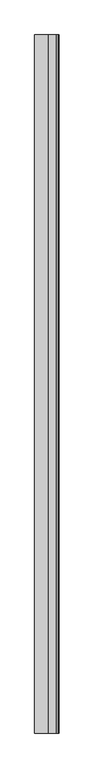
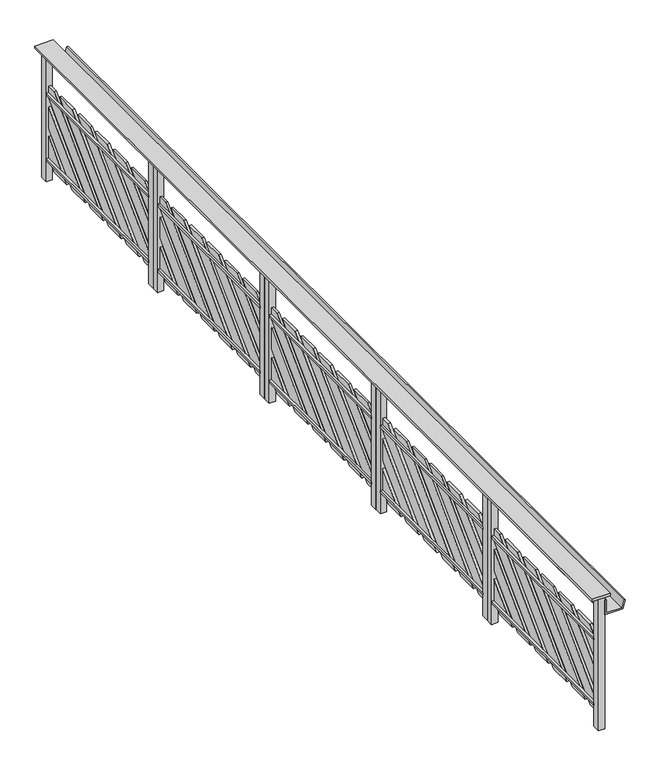
"""IFC4 building model written with IfcOpenShell, lengths in millimetres: railing geometry."""

from ifc_helpers import new_model, si_unit, frame, origin, origin_with_axes, place, context, project, spatial, polyline, outline, extrude, source, transform, mapped, element, save


def railing_9c21b93e(model_context):
    return source(origin(), model_context, "Body", "SweptSolid", [
        extrude(outline(polyline([(1479.3126412, -25760.8033767), (1359.3126412, -25760.8033767), (1359.3126412, -19510.8033767), (1479.3126412, -19510.8033767), (1479.3126412, -25760.8033767)])), frame((0.0, 0.0, 899.8828423), z_axis=(0.0, 0.0, 1.0), x_axis=(1.0, 0.0, 0.0)), (0.0, 0.0, 1.0), 15.1171577),
        extrude(outline(polyline([(780.0, 1444.3126412), (780.0, 1561.520565), (836.340031, 1576.6168308), (838.9282214, 1566.9575726), (790.0, 1553.8472952), (790.0, 1454.3126412), (880.0, 1454.3126412), (880.0, 1444.3126412), (780.0, 1444.3126412)])), frame((0.0, -25760.8033767, 0.0), z_axis=(0.0, 1.0, 0.0), x_axis=(0.0, 0.0, 1.0)), (0.0, 0.0, 1.0), 6250.0),
        extrude(outline(polyline([(1404.3126412, -20710.8029533), (1404.3126412, -19560.8035974), (1419.3126412, -19560.8035974), (1419.3126412, -20710.8029533), (1404.3126412, -20710.8029533)])), frame((0.0, 0.0, 144.0), z_axis=(0.0, 0.0, 1.0), x_axis=(1.0, 0.0, 0.0)), (0.0, 0.0, 1.0), 15.0),
        extrude(outline(polyline([(1404.3126412, -20710.8029533), (1404.3126412, -19560.8035974), (1419.3126412, -19560.8035974), (1419.3126412, -20710.8029533), (1404.3126412, -20710.8029533)])), frame((0.0, 0.0, 591.4155842), z_axis=(0.0, 0.0, 1.0), x_axis=(1.0, 0.0, 0.0)), (0.0, 0.0, 1.0), 15.0),
        extrude(outline(polyline([(1404.3126412, -20760.803172), (1404.3126412, -20710.8029533), (1444.3126412, -20710.8029533), (1444.3126412, -20760.803172), (1404.3126412, -20760.803172)])), origin_with_axes(), (0.0, 0.0, 1.0), 900.0),
        extrude(outline(polyline([(1404.3126412, -19560.8035974), (1404.3126412, -19510.8035814), (1444.3126412, -19510.8035814), (1444.3126412, -19560.8035974), (1404.3126412, -19560.8035974)])), origin_with_axes(), (0.0, 0.0, 1.0), 900.0),
        extrude(outline(polyline([(-20710.8029533, 170.7106341), (-20219.3975026, 651.5427895), (-20079.3975026, 651.5427895), (-20641.5108865, 99.9972111), (-20710.8029533, 99.9972111), (-20710.8029533, 170.7106341)])), frame((1419.3126412, 0.0, 0.0), z_axis=(1.0, 0.0, 0.0), x_axis=(0.0, 1.0, 0.0)), (0.0, 0.0, 1.0), 15.0),
        extrude(outline(polyline([(-20710.8029533, 373.727773), (-20423.9610673, 649.9995686), (-20282.5376071, 649.9995686), (-20710.8029533, 232.307398), (-20710.8029533, 373.727773)])), frame((1419.3126412, 0.0, 0.0), z_axis=(1.0, 0.0, 0.0), x_axis=(0.0, 1.0, 0.0)), (0.0, 0.0, 1.0), 15.0),
        extrude(outline(polyline([(-20637.5494112, 649.9995686), (-20485.5557594, 649.9995686), (-20710.8029533, 435.3251653), (-20710.8029533, 576.7454185), (-20637.5494112, 649.9995686)])), frame((1419.3126412, 0.0, 0.0), z_axis=(1.0, 0.0, 0.0), x_axis=(0.0, 1.0, 0.0)), (0.0, 0.0, 1.0), 15.0),
        extrude(outline(polyline([(-20026.953143, 651.5427664), (-19886.953143, 651.5427664), (-20438.4941433, 99.9971881), (-20578.4997672, 99.9971881), (-20026.953143, 651.5427664)])), frame((1419.3126412, 0.0, 0.0), z_axis=(1.0, 0.0, 0.0), x_axis=(0.0, 1.0, 0.0)), (0.0, 0.0, 1.0), 15.0),
        extrude(outline(polyline([(-19684.0575609, 649.9995686), (-20235.5985612, 98.4539902), (-20377.0248117, 98.4539902), (-19825.4838114, 649.9995686), (-19684.0575609, 649.9995686)])), frame((1419.3126412, 0.0, 0.0), z_axis=(1.0, 0.0, 0.0), x_axis=(0.0, 1.0, 0.0)), (0.0, 0.0, 1.0), 15.0),
        extrude(outline(polyline([(-19560.8035974, 650.0), (-19560.8035974, 570.2365958), (-20031.0362901, 100.0), (-20172.4616642, 100.0), (-19622.4662294, 650.0), (-19560.8035974, 650.0)])), frame((1419.3126412, 0.0, 0.0), z_axis=(1.0, 0.0, 0.0), x_axis=(0.0, 1.0, 0.0)), (0.0, 0.0, 1.0), 15.0),
        extrude(outline(polyline([(-19559.3240917, 510.1236352), (-19559.3240917, 368.6984532), (-19828.0235534, 99.9967612), (-19969.4475615, 99.9967612), (-19559.3240917, 510.1236352)])), frame((1419.3126412, 0.0, 0.0), z_axis=(1.0, 0.0, 0.0), x_axis=(0.0, 1.0, 0.0)), (0.0, 0.0, 1.0), 15.0),
        extrude(outline(polyline([(-19560.8035974, 164.2018115), (-19625.0051049, 100.0), (-19766.4263732, 100.0), (-19560.8035974, 305.6244825), (-19560.8035974, 164.2018115)])), frame((1419.3126412, 0.0, 0.0), z_axis=(1.0, 0.0, 0.0), x_axis=(0.0, 1.0, 0.0)), (0.0, 0.0, 1.0), 15.0),
        extrude(outline(polyline([(1404.3126412, -21961.8029533), (1404.3126412, -20811.8035974), (1419.3126412, -20811.8035974), (1419.3126412, -21961.8029533), (1404.3126412, -21961.8029533)])), frame((0.0, 0.0, 144.0), z_axis=(0.0, 0.0, 1.0), x_axis=(1.0, 0.0, 0.0)), (0.0, 0.0, 1.0), 15.0),
        extrude(outline(polyline([(1404.3126412, -21961.8029533), (1404.3126412, -20811.8035974), (1419.3126412, -20811.8035974), (1419.3126412, -21961.8029533), (1404.3126412, -21961.8029533)])), frame((0.0, 0.0, 591.4155842), z_axis=(0.0, 0.0, 1.0), x_axis=(1.0, 0.0, 0.0)), (0.0, 0.0, 1.0), 15.0),
        extrude(outline(polyline([(1404.3126412, -22011.803172), (1404.3126412, -21961.8029533), (1444.3126412, -21961.8029533), (1444.3126412, -22011.803172), (1404.3126412, -22011.803172)])), origin_with_axes(), (0.0, 0.0, 1.0), 900.0),
        extrude(outline(polyline([(1404.3126412, -20811.8035974), (1404.3126412, -20761.8035814), (1444.3126412, -20761.8035814), (1444.3126412, -20811.8035974), (1404.3126412, -20811.8035974)])), origin_with_axes(), (0.0, 0.0, 1.0), 900.0),
        extrude(outline(polyline([(-21961.8029533, 170.7106341), (-21470.3975026, 651.5427895), (-21330.3975026, 651.5427895), (-21892.5108865, 99.9972111), (-21961.8029533, 99.9972111), (-21961.8029533, 170.7106341)])), frame((1419.3126412, 0.0, 0.0), z_axis=(1.0, 0.0, 0.0), x_axis=(0.0, 1.0, 0.0)), (0.0, 0.0, 1.0), 15.0),
        extrude(outline(polyline([(-21961.8029533, 373.727773), (-21674.9610673, 649.9995686), (-21533.5376071, 649.9995686), (-21961.8029533, 232.307398), (-21961.8029533, 373.727773)])), frame((1419.3126412, 0.0, 0.0), z_axis=(1.0, 0.0, 0.0), x_axis=(0.0, 1.0, 0.0)), (0.0, 0.0, 1.0), 15.0),
        extrude(outline(polyline([(-21888.5494112, 649.9995686), (-21736.5557594, 649.9995686), (-21961.8029533, 435.3251653), (-21961.8029533, 576.7454185), (-21888.5494112, 649.9995686)])), frame((1419.3126412, 0.0, 0.0), z_axis=(1.0, 0.0, 0.0), x_axis=(0.0, 1.0, 0.0)), (0.0, 0.0, 1.0), 15.0),
        extrude(outline(polyline([(-21277.953143, 651.5427664), (-21137.953143, 651.5427664), (-21689.4941433, 99.9971881), (-21829.4997672, 99.9971881), (-21277.953143, 651.5427664)])), frame((1419.3126412, 0.0, 0.0), z_axis=(1.0, 0.0, 0.0), x_axis=(0.0, 1.0, 0.0)), (0.0, 0.0, 1.0), 15.0),
        extrude(outline(polyline([(-20935.0575609, 649.9995686), (-21486.5985612, 98.4539902), (-21628.0248117, 98.4539902), (-21076.4838114, 649.9995686), (-20935.0575609, 649.9995686)])), frame((1419.3126412, 0.0, 0.0), z_axis=(1.0, 0.0, 0.0), x_axis=(0.0, 1.0, 0.0)), (0.0, 0.0, 1.0), 15.0),
        extrude(outline(polyline([(-20811.8035974, 650.0), (-20811.8035974, 570.2365958), (-21282.0362901, 100.0), (-21423.4616642, 100.0), (-20873.4662294, 650.0), (-20811.8035974, 650.0)])), frame((1419.3126412, 0.0, 0.0), z_axis=(1.0, 0.0, 0.0), x_axis=(0.0, 1.0, 0.0)), (0.0, 0.0, 1.0), 15.0),
        extrude(outline(polyline([(-20810.3240917, 510.1236352), (-20810.3240917, 368.6984532), (-21079.0235534, 99.9967612), (-21220.4475615, 99.9967612), (-20810.3240917, 510.1236352)])), frame((1419.3126412, 0.0, 0.0), z_axis=(1.0, 0.0, 0.0), x_axis=(0.0, 1.0, 0.0)), (0.0, 0.0, 1.0), 15.0),
        extrude(outline(polyline([(-20811.8035974, 164.2018115), (-20876.0051049, 100.0), (-21017.4263732, 100.0), (-20811.8035974, 305.6244825), (-20811.8035974, 164.2018115)])), frame((1419.3126412, 0.0, 0.0), z_axis=(1.0, 0.0, 0.0), x_axis=(0.0, 1.0, 0.0)), (0.0, 0.0, 1.0), 15.0),
        extrude(outline(polyline([(1404.3126412, -23212.8029533), (1404.3126412, -22062.8035974), (1419.3126412, -22062.8035974), (1419.3126412, -23212.8029533), (1404.3126412, -23212.8029533)])), frame((0.0, 0.0, 144.0), z_axis=(0.0, 0.0, 1.0), x_axis=(1.0, 0.0, 0.0)), (0.0, 0.0, 1.0), 15.0),
        extrude(outline(polyline([(1404.3126412, -23212.8029533), (1404.3126412, -22062.8035974), (1419.3126412, -22062.8035974), (1419.3126412, -23212.8029533), (1404.3126412, -23212.8029533)])), frame((0.0, 0.0, 591.4155842), z_axis=(0.0, 0.0, 1.0), x_axis=(1.0, 0.0, 0.0)), (0.0, 0.0, 1.0), 15.0),
        extrude(outline(polyline([(1404.3126412, -23262.803172), (1404.3126412, -23212.8029533), (1444.3126412, -23212.8029533), (1444.3126412, -23262.803172), (1404.3126412, -23262.803172)])), origin_with_axes(), (0.0, 0.0, 1.0), 900.0),
        extrude(outline(polyline([(1404.3126412, -22062.8035974), (1404.3126412, -22012.8035814), (1444.3126412, -22012.8035814), (1444.3126412, -22062.8035974), (1404.3126412, -22062.8035974)])), origin_with_axes(), (0.0, 0.0, 1.0), 900.0),
        extrude(outline(polyline([(-23212.8029533, 170.7106341), (-22721.3975026, 651.5427895), (-22581.3975026, 651.5427895), (-23143.5108865, 99.9972111), (-23212.8029533, 99.9972111), (-23212.8029533, 170.7106341)])), frame((1419.3126412, 0.0, 0.0), z_axis=(1.0, 0.0, 0.0), x_axis=(0.0, 1.0, 0.0)), (0.0, 0.0, 1.0), 15.0),
        extrude(outline(polyline([(-23212.8029533, 373.727773), (-22925.9610673, 649.9995686), (-22784.5376071, 649.9995686), (-23212.8029533, 232.307398), (-23212.8029533, 373.727773)])), frame((1419.3126412, 0.0, 0.0), z_axis=(1.0, 0.0, 0.0), x_axis=(0.0, 1.0, 0.0)), (0.0, 0.0, 1.0), 15.0),
        extrude(outline(polyline([(-23139.5494112, 649.9995686), (-22987.5557594, 649.9995686), (-23212.8029533, 435.3251653), (-23212.8029533, 576.7454185), (-23139.5494112, 649.9995686)])), frame((1419.3126412, 0.0, 0.0), z_axis=(1.0, 0.0, 0.0), x_axis=(0.0, 1.0, 0.0)), (0.0, 0.0, 1.0), 15.0),
        extrude(outline(polyline([(-22528.953143, 651.5427664), (-22388.953143, 651.5427664), (-22940.4941433, 99.9971881), (-23080.4997672, 99.9971881), (-22528.953143, 651.5427664)])), frame((1419.3126412, 0.0, 0.0), z_axis=(1.0, 0.0, 0.0), x_axis=(0.0, 1.0, 0.0)), (0.0, 0.0, 1.0), 15.0),
        extrude(outline(polyline([(-22186.0575609, 649.9995686), (-22737.5985612, 98.4539902), (-22879.0248117, 98.4539902), (-22327.4838114, 649.9995686), (-22186.0575609, 649.9995686)])), frame((1419.3126412, 0.0, 0.0), z_axis=(1.0, 0.0, 0.0), x_axis=(0.0, 1.0, 0.0)), (0.0, 0.0, 1.0), 15.0),
        extrude(outline(polyline([(-22062.8035974, 650.0), (-22062.8035974, 570.2365958), (-22533.0362901, 100.0), (-22674.4616642, 100.0), (-22124.4662294, 650.0), (-22062.8035974, 650.0)])), frame((1419.3126412, 0.0, 0.0), z_axis=(1.0, 0.0, 0.0), x_axis=(0.0, 1.0, 0.0)), (0.0, 0.0, 1.0), 15.0),
        extrude(outline(polyline([(-22061.3240917, 510.1236352), (-22061.3240917, 368.6984532), (-22330.0235534, 99.9967612), (-22471.4475615, 99.9967612), (-22061.3240917, 510.1236352)])), frame((1419.3126412, 0.0, 0.0), z_axis=(1.0, 0.0, 0.0), x_axis=(0.0, 1.0, 0.0)), (0.0, 0.0, 1.0), 15.0),
        extrude(outline(polyline([(-22062.8035974, 164.2018115), (-22127.0051049, 100.0), (-22268.4263732, 100.0), (-22062.8035974, 305.6244825), (-22062.8035974, 164.2018115)])), frame((1419.3126412, 0.0, 0.0), z_axis=(1.0, 0.0, 0.0), x_axis=(0.0, 1.0, 0.0)), (0.0, 0.0, 1.0), 15.0),
        extrude(outline(polyline([(1404.3126412, -24461.8031579), (1404.3126412, -23311.8038021), (1419.3126412, -23311.8038021), (1419.3126412, -24461.8031579), (1404.3126412, -24461.8031579)])), frame((0.0, 0.0, 144.0), z_axis=(0.0, 0.0, 1.0), x_axis=(1.0, 0.0, 0.0)), (0.0, 0.0, 1.0), 15.0),
        extrude(outline(polyline([(1404.3126412, -24461.8031579), (1404.3126412, -23311.8038021), (1419.3126412, -23311.8038021), (1419.3126412, -24461.8031579), (1404.3126412, -24461.8031579)])), frame((0.0, 0.0, 591.4155842), z_axis=(0.0, 0.0, 1.0), x_axis=(1.0, 0.0, 0.0)), (0.0, 0.0, 1.0), 15.0),
        extrude(outline(polyline([(1404.3126412, -24511.8033767), (1404.3126412, -24461.8031579), (1444.3126412, -24461.8031579), (1444.3126412, -24511.8033767), (1404.3126412, -24511.8033767)])), origin_with_axes(), (0.0, 0.0, 1.0), 900.0),
        extrude(outline(polyline([(1404.3126412, -23311.8038021), (1404.3126412, -23261.8037861), (1444.3126412, -23261.8037861), (1444.3126412, -23311.8038021), (1404.3126412, -23311.8038021)])), origin_with_axes(), (0.0, 0.0, 1.0), 900.0),
        extrude(outline(polyline([(-24461.8031579, 170.7106341), (-23970.3977073, 651.5427895), (-23830.3977073, 651.5427895), (-24392.5110912, 99.9972111), (-24461.8031579, 99.9972111), (-24461.8031579, 170.7106341)])), frame((1419.3126412, 0.0, 0.0), z_axis=(1.0, 0.0, 0.0), x_axis=(0.0, 1.0, 0.0)), (0.0, 0.0, 1.0), 15.0),
        extrude(outline(polyline([(-24461.8031579, 373.727773), (-24174.9612719, 649.9995686), (-24033.5378118, 649.9995686), (-24461.8031579, 232.307398), (-24461.8031579, 373.727773)])), frame((1419.3126412, 0.0, 0.0), z_axis=(1.0, 0.0, 0.0), x_axis=(0.0, 1.0, 0.0)), (0.0, 0.0, 1.0), 15.0),
        extrude(outline(polyline([(-24388.5496159, 649.9995686), (-24236.5559641, 649.9995686), (-24461.8031579, 435.3251653), (-24461.8031579, 576.7454185), (-24388.5496159, 649.9995686)])), frame((1419.3126412, 0.0, 0.0), z_axis=(1.0, 0.0, 0.0), x_axis=(0.0, 1.0, 0.0)), (0.0, 0.0, 1.0), 15.0),
        extrude(outline(polyline([(-23777.9533477, 651.5427664), (-23637.9533477, 651.5427664), (-24189.494348, 99.9971881), (-24329.4999719, 99.9971881), (-23777.9533477, 651.5427664)])), frame((1419.3126412, 0.0, 0.0), z_axis=(1.0, 0.0, 0.0), x_axis=(0.0, 1.0, 0.0)), (0.0, 0.0, 1.0), 15.0),
        extrude(outline(polyline([(-23435.0577655, 649.9995686), (-23986.5987658, 98.4539902), (-24128.0250164, 98.4539902), (-23576.4840161, 649.9995686), (-23435.0577655, 649.9995686)])), frame((1419.3126412, 0.0, 0.0), z_axis=(1.0, 0.0, 0.0), x_axis=(0.0, 1.0, 0.0)), (0.0, 0.0, 1.0), 15.0),
        extrude(outline(polyline([(-23311.8038021, 650.0), (-23311.8038021, 570.2365958), (-23782.0364948, 100.0), (-23923.4618689, 100.0), (-23373.4664341, 650.0), (-23311.8038021, 650.0)])), frame((1419.3126412, 0.0, 0.0), z_axis=(1.0, 0.0, 0.0), x_axis=(0.0, 1.0, 0.0)), (0.0, 0.0, 1.0), 15.0),
        extrude(outline(polyline([(-23310.3242964, 510.1236352), (-23310.3242964, 368.6984532), (-23579.0237581, 99.9967612), (-23720.4477662, 99.9967612), (-23310.3242964, 510.1236352)])), frame((1419.3126412, 0.0, 0.0), z_axis=(1.0, 0.0, 0.0), x_axis=(0.0, 1.0, 0.0)), (0.0, 0.0, 1.0), 15.0),
        extrude(outline(polyline([(-23311.8038021, 164.2018115), (-23376.0053096, 100.0), (-23517.4265779, 100.0), (-23311.8038021, 305.6244825), (-23311.8038021, 164.2018115)])), frame((1419.3126412, 0.0, 0.0), z_axis=(1.0, 0.0, 0.0), x_axis=(0.0, 1.0, 0.0)), (0.0, 0.0, 1.0), 15.0),
        extrude(outline(polyline([(1404.3126412, -25710.8033626), (1404.3126412, -24560.8040068), (1419.3126412, -24560.8040068), (1419.3126412, -25710.8033626), (1404.3126412, -25710.8033626)])), frame((0.0, 0.0, 144.0), z_axis=(0.0, 0.0, 1.0), x_axis=(1.0, 0.0, 0.0)), (0.0, 0.0, 1.0), 15.0),
        extrude(outline(polyline([(1404.3126412, -25710.8033626), (1404.3126412, -24560.8040068), (1419.3126412, -24560.8040068), (1419.3126412, -25710.8033626), (1404.3126412, -25710.8033626)])), frame((0.0, 0.0, 591.4155842), z_axis=(0.0, 0.0, 1.0), x_axis=(1.0, 0.0, 0.0)), (0.0, 0.0, 1.0), 15.0),
        extrude(outline(polyline([(1404.3126412, -25760.8035814), (1404.3126412, -25710.8033626), (1444.3126412, -25710.8033626), (1444.3126412, -25760.8035814), (1404.3126412, -25760.8035814)])), origin_with_axes(), (0.0, 0.0, 1.0), 900.0),
        extrude(outline(polyline([(1404.3126412, -24560.8040068), (1404.3126412, -24510.8039907), (1444.3126412, -24510.8039907), (1444.3126412, -24560.8040068), (1404.3126412, -24560.8040068)])), origin_with_axes(), (0.0, 0.0, 1.0), 900.0),
        extrude(outline(polyline([(-25710.8033626, 170.7106341), (-25219.397912, 651.5427895), (-25079.397912, 651.5427895), (-25641.5112959, 99.9972111), (-25710.8033626, 99.9972111), (-25710.8033626, 170.7106341)])), frame((1419.3126412, 0.0, 0.0), z_axis=(1.0, 0.0, 0.0), x_axis=(0.0, 1.0, 0.0)), (0.0, 0.0, 1.0), 15.0),
        extrude(outline(polyline([(-25710.8033626, 373.727773), (-25423.9614766, 649.9995686), (-25282.5380165, 649.9995686), (-25710.8033626, 232.307398), (-25710.8033626, 373.727773)])), frame((1419.3126412, 0.0, 0.0), z_axis=(1.0, 0.0, 0.0), x_axis=(0.0, 1.0, 0.0)), (0.0, 0.0, 1.0), 15.0),
        extrude(outline(polyline([(-25637.5498206, 649.9995686), (-25485.5561687, 649.9995686), (-25710.8033626, 435.3251653), (-25710.8033626, 576.7454185), (-25637.5498206, 649.9995686)])), frame((1419.3126412, 0.0, 0.0), z_axis=(1.0, 0.0, 0.0), x_axis=(0.0, 1.0, 0.0)), (0.0, 0.0, 1.0), 15.0),
        extrude(outline(polyline([(-25026.9535524, 651.5427664), (-24886.9535524, 651.5427664), (-25438.4945527, 99.9971881), (-25578.5001766, 99.9971881), (-25026.9535524, 651.5427664)])), frame((1419.3126412, 0.0, 0.0), z_axis=(1.0, 0.0, 0.0), x_axis=(0.0, 1.0, 0.0)), (0.0, 0.0, 1.0), 15.0),
        extrude(outline(polyline([(-24684.0579702, 649.9995686), (-25235.5989705, 98.4539902), (-25377.0252211, 98.4539902), (-24825.4842208, 649.9995686), (-24684.0579702, 649.9995686)])), frame((1419.3126412, 0.0, 0.0), z_axis=(1.0, 0.0, 0.0), x_axis=(0.0, 1.0, 0.0)), (0.0, 0.0, 1.0), 15.0),
        extrude(outline(polyline([(-24560.8040068, 650.0), (-24560.8040068, 570.2365958), (-25031.0366995, 100.0), (-25172.4620736, 100.0), (-24622.4666388, 650.0), (-24560.8040068, 650.0)])), frame((1419.3126412, 0.0, 0.0), z_axis=(1.0, 0.0, 0.0), x_axis=(0.0, 1.0, 0.0)), (0.0, 0.0, 1.0), 15.0),
        extrude(outline(polyline([(-24559.3245011, 510.1236352), (-24559.3245011, 368.6984532), (-24828.0239628, 99.9967612), (-24969.4479709, 99.9967612), (-24559.3245011, 510.1236352)])), frame((1419.3126412, 0.0, 0.0), z_axis=(1.0, 0.0, 0.0), x_axis=(0.0, 1.0, 0.0)), (0.0, 0.0, 1.0), 15.0),
        extrude(outline(polyline([(-24560.8040068, 164.2018115), (-24625.0055143, 100.0), (-24766.4267826, 100.0), (-24560.8040068, 305.6244825), (-24560.8040068, 164.2018115)])), frame((1419.3126412, 0.0, 0.0), z_axis=(1.0, 0.0, 0.0), x_axis=(0.0, 1.0, 0.0)), (0.0, 0.0, 1.0), 15.0),
    ])


if __name__ == "__main__":
    model = new_model("IFC4")
    model_context = context("Model", 3, world=origin())
    ifc_project = project(units=[si_unit("LENGTHUNIT", "METRE", prefix="MILLI")], contexts=[model_context])
    site = spatial("IfcSite", under=ifc_project)
    building = spatial("IfcBuilding", under=site)
    placement = place(None, origin())
    railing_shape = railing_9c21b93e(model_context)
    element("IfcRailing", 1, at=placement, inside=building, context=model_context, shape_type="MappedRepresentation", body=[
        mapped(railing_shape, transform((0.0, 0.0, 0.0), x_axis=(1.0, 0.0, 0.0), y_axis=(0.0, 1.0, 0.0), z_axis=(0.0, 0.0, 1.0))),
    ])
    save(model, "model.ifc")
